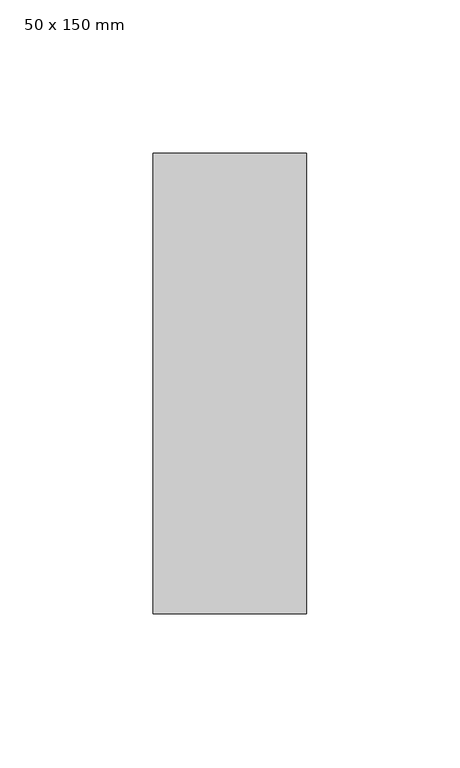
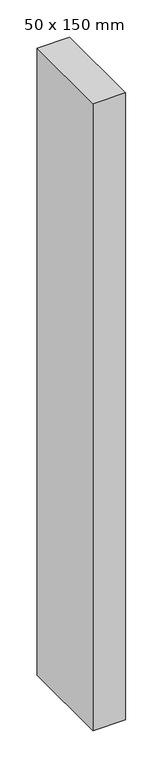
"""IFC4 building model written with IfcOpenShell, lengths in millimetres: member geometry, 50 x 150 mm."""

from ifc_helpers import new_model, si_unit, frame, origin, place, context, project, spatial, polyline, outline, extrude, source, transform, mapped, element, save


def member_50_x_150_mm_a65b6ca2(model_context):
    return source(origin(), model_context, "Body", "SweptSolid", [
        extrude(outline(polyline([(0.0, 75.0), (0.0, -75.0), (-50.0, -75.0), (-50.0, 75.0), (0.0, 75.0)])), frame((0.0, 0.0, -1025.0), z_axis=(0.0, 0.0, 1.0), x_axis=(1.0, 0.0, 0.0)), (0.0, 0.0, 1.0), 1025.0),
    ])


if __name__ == "__main__":
    model = new_model("IFC4")
    model_context = context("Model", 3, world=origin())
    ifc_project = project(units=[si_unit("LENGTHUNIT", "METRE", prefix="MILLI")], contexts=[model_context])
    site = spatial("IfcSite", under=ifc_project)
    building = spatial("IfcBuilding", under=site)
    placement = place(None, origin())
    member_50_x_150_mm_shape = member_50_x_150_mm_a65b6ca2(model_context)
    element("IfcMember", 1, ObjectType="50 x 150 mm", at=placement, inside=building, context=model_context, shape_type="MappedRepresentation", body=[
        mapped(member_50_x_150_mm_shape, transform((0.0, 0.0, 0.0), x_axis=(1.0, 0.0, 0.0), y_axis=(0.0, 1.0, 0.0), z_axis=(0.0, 0.0, 1.0))),
    ])
    save(model, "model.ifc")
